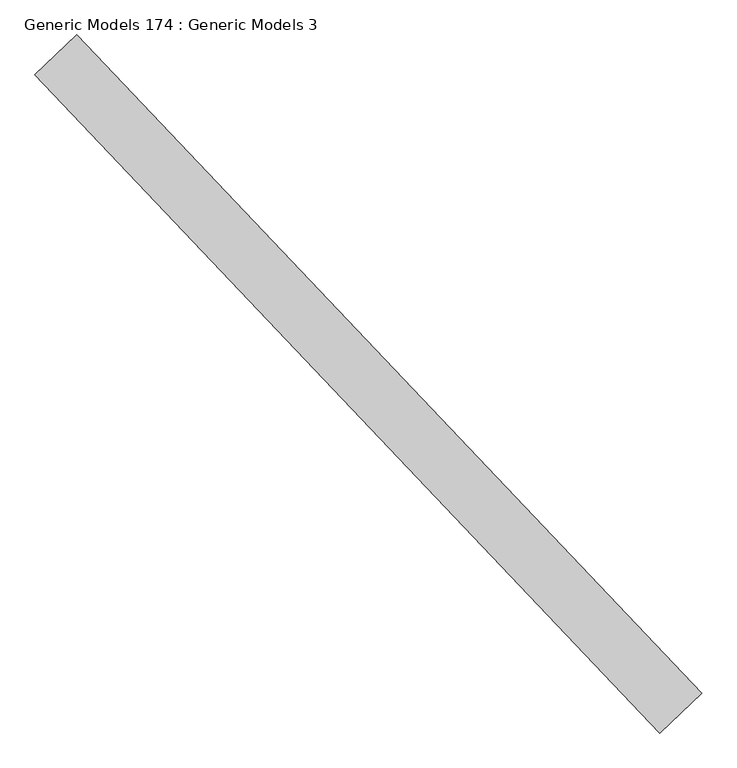
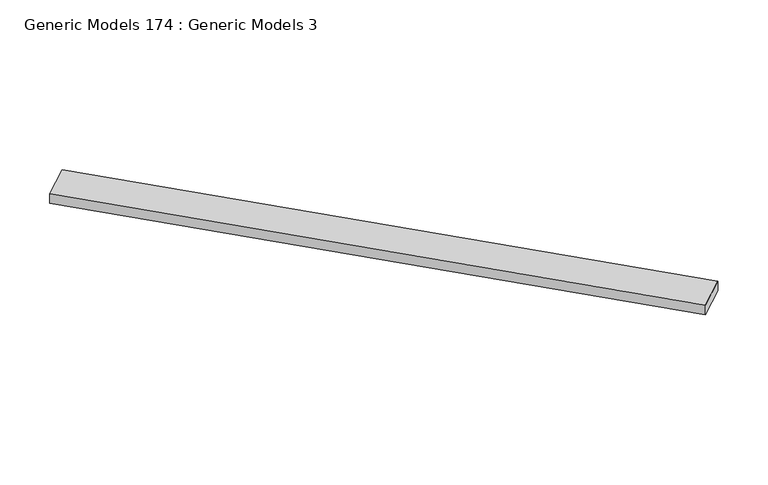
"""IFC4 building model written with IfcOpenShell, lengths in millimetres: proxy geometry, Generic Models 174 : Generic Models 3."""

from ifc_helpers import new_model, si_unit, frame, origin, place, context, project, spatial, polyline, outline, extrude, source, transform, mapped, element, save


def generic_models_174_generic_models_3_e301da9a(model_context):
    return source(origin(), model_context, "Body", "SweptSolid", [
        extrude(outline(polyline([(110344.0940378, 57014.0292345), (110553.0271355, 57212.299341), (113671.7724205, 53925.8275439), (113462.8393228, 53727.5574374), (110344.0940378, 57014.0292345)])), frame((0.0, 0.0, 17748.1760048), z_axis=(0.0, 0.0, 1.0), x_axis=(1.0, 0.0, 0.0)), (0.0, 0.0, 1.0), 76.2),
    ])


if __name__ == "__main__":
    model = new_model("IFC4")
    model_context = context("Model", 3, world=origin())
    ifc_project = project(units=[si_unit("LENGTHUNIT", "METRE", prefix="MILLI")], contexts=[model_context])
    site = spatial("IfcSite", under=ifc_project)
    building = spatial("IfcBuilding", under=site)
    placement = place(None, origin())
    generic_models_174_generic_models_3_shape = generic_models_174_generic_models_3_e301da9a(model_context)
    element("IfcBuildingElementProxy", 1, Name="Generic Models 174 : Generic Models 3", ObjectType="Generic Models 174 : Generic Models 3", at=placement, inside=building, context=model_context, shape_type="MappedRepresentation", body=[
        mapped(generic_models_174_generic_models_3_shape, transform((0.0, 0.0, 0.0), x_axis=(1.0, 0.0, 0.0), y_axis=(0.0, 1.0, 0.0), z_axis=(0.0, 0.0, 1.0))),
    ])
    save(model, "model.ifc")
